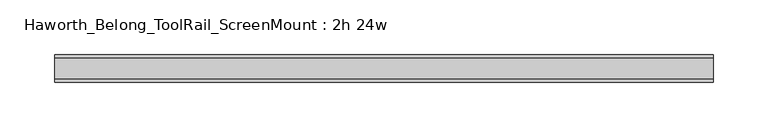
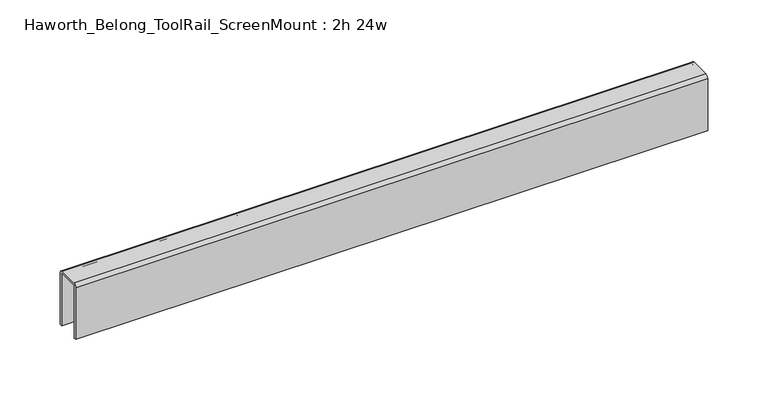
"""IFC4 building model written with IfcOpenShell, lengths in millimetres: furniture geometry, Haworth_Belong_ToolRail_ScreenMount : 2h 24w."""

from ifc_helpers import new_model, si_unit, point, frame, frame_2d, origin, place, context, project, spatial, polyline, circle_curve, trimmed, segment, composite_curve, outline, extrude, source, transform, mapped, element, save


def haworth_belong_toolrail_screenmount_2h_24w_32b70433(model_context):
    return source(origin(), model_context, "Body", "SweptSolid", [
        extrude(outline(composite_curve([segment(polyline([(-9.525, 1071.5625), (9.525, 1071.5625)]), True, "CONTINUOUS"), segment(trimmed(circle_curve(frame_2d((9.525, 1068.3875)), 3.175), [point((9.525, 1071.5625))], [point((12.7, 1068.3875))], False, "CARTESIAN"), True, "CONTINUOUS"), segment(polyline([(12.7, 1068.3875), (12.7, 1016.0), (10.31875, 1016.0), (10.31875, 1068.3875)]), True, "CONTINUOUS"), segment(trimmed(circle_curve(frame_2d((9.525, 1068.3875)), 0.79375), [point((10.31875, 1068.3875))], [point((9.525, 1069.18125))], True, "CARTESIAN"), True, "CONTINUOUS"), segment(polyline([(9.525, 1069.18125), (-9.525, 1069.18125)]), True, "CONTINUOUS"), segment(trimmed(circle_curve(frame_2d((-9.525, 1068.3875)), 0.79375), [point((-9.525, 1069.18125))], [point((-10.31875, 1068.3875))], True, "CARTESIAN"), True, "CONTINUOUS"), segment(polyline([(-10.31875, 1068.3875), (-10.31875, 1016.0), (-12.7, 1016.0), (-12.7, 1068.3875)]), True, "CONTINUOUS"), segment(trimmed(circle_curve(frame_2d((-9.525, 1068.3875)), 3.175), [point((-12.7, 1068.3875))], [point((-9.525, 1071.5625))], False, "CARTESIAN"), True, "CONTINUOUS")], self_intersect=False)), frame((-301.625, 0.0, 0.0), z_axis=(1.0, 0.0, 0.0), x_axis=(0.0, 1.0, 0.0)), (0.0, 0.0, 1.0), 603.25),
    ])


if __name__ == "__main__":
    model = new_model("IFC4")
    model_context = context("Model", 3, world=origin())
    ifc_project = project(units=[si_unit("LENGTHUNIT", "METRE", prefix="MILLI")], contexts=[model_context])
    site = spatial("IfcSite", under=ifc_project)
    building = spatial("IfcBuilding", under=site)
    placement = place(None, origin())
    haworth_belong_toolrail_screenmount_2h_24w_shape = haworth_belong_toolrail_screenmount_2h_24w_32b70433(model_context)
    element("IfcFurniture", 1, ObjectType="Haworth_Belong_ToolRail_ScreenMount : 2h 24w", at=placement, inside=building, context=model_context, shape_type="MappedRepresentation", body=[
        mapped(haworth_belong_toolrail_screenmount_2h_24w_shape, transform((0.0, 0.0, 0.0), x_axis=(1.0, 0.0, 0.0), y_axis=(0.0, 1.0, 0.0), z_axis=(0.0, 0.0, 1.0))),
    ])
    save(model, "model.ifc")
